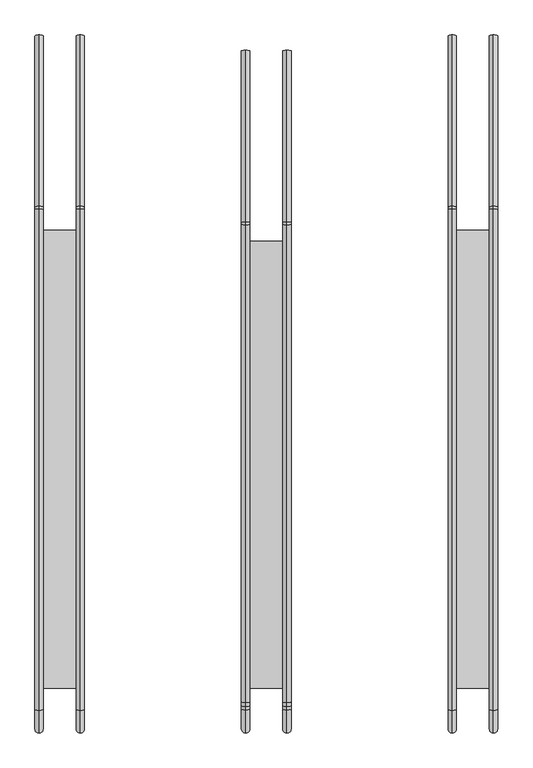
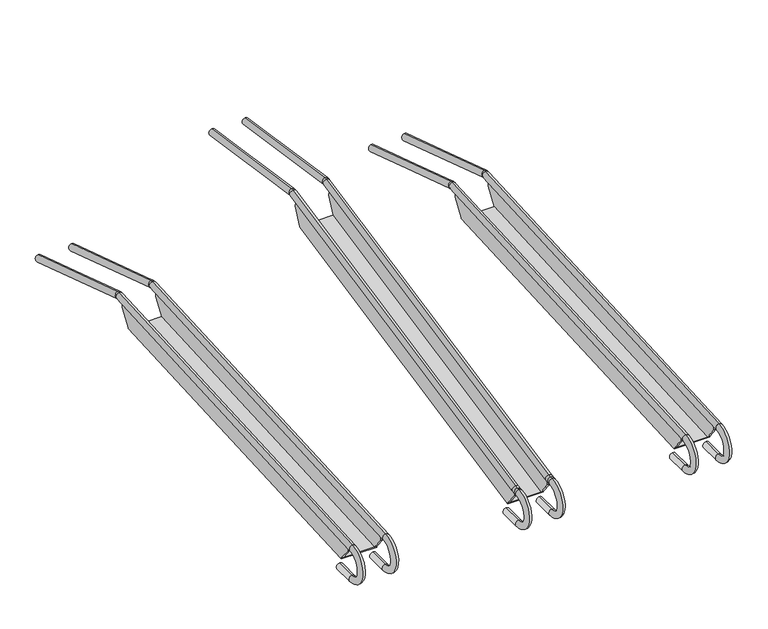
"""IFC4 building model written with IfcOpenShell, lengths in millimetres: proxy geometry."""

from ifc_helpers import new_model, si_unit, point, frame, origin, place, context, project, spatial, circle_curve, ellipse_curve, trimmed, faceted_brep, source, transform, mapped, element, save
from ifc_brep_helpers import plane_surface, cylinder_surface, revolved_surface, advanced_brep


def parking_71886b0e(model_context):
    return source(origin(), model_context, "Body", "SolidModel", [
        faceted_brep([(-437.085582, 221.7803069, 120.6228524), (-437.085582, 220.8092216, 136.8031355), (-437.085582, -715.6649161, 86.2652952), (-437.085582, -715.6649161, 69.7625833), (-437.085582, -689.6030024, 36.404855), (-437.085582, 196.7109185, 84.235745), (-442.2050429, 221.7803069, 120.6228524), (-442.2050429, 196.7109185, 84.235745), (-442.2050429, 196.8321504, 81.9892981), (-442.2050429, -689.3392948, 34.166097), (-442.2050429, -689.4605268, 36.4125439), (-442.2050429, -715.6649161, 69.7625833), (-442.2050429, -715.6649161, 86.2652952), (-442.2050429, 220.8092216, 136.8031355), (-362.2050429, 221.7803069, 120.6228524), (-362.2050429, 196.7109185, 84.235745), (-362.2050429, -689.6030024, 36.404855), (-362.2050429, -715.6649161, 69.7625833), (-362.2050429, -715.6649161, 86.2652952), (-362.2050429, 220.8092216, 136.8031355), (-357.085582, 221.7803069, 120.6228524), (-357.085582, 220.8092216, 136.8031355), (-357.085582, -715.6649161, 86.2652952), (-357.085582, -715.6649161, 69.7625833), (-357.085582, -689.6030024, 36.404855), (-357.085582, -689.3392948, 34.166097), (-357.085582, 196.8321504, 81.9892981), (-357.085582, 196.7109185, 84.235745), (-400.0, 196.8321504, 81.9892981), (-400.0, 196.7109185, 84.235745)], [[[0, 1, 2, 3, 4, 5]], [[6, 7, 8, 9, 10, 11, 12, 13]], [[1, 0, 6, 13]], [[2, 1, 13, 12]], [[0, 5, 7, 6]], [[3, 2, 12, 11]], [[4, 3, 11, 10]], [[14, 15, 16, 17, 18, 19]], [[20, 21, 22, 23, 24, 25, 26, 27]], [[14, 19, 21, 20]], [[19, 18, 22, 21]], [[15, 14, 20, 27]], [[17, 16, 24, 23]], [[18, 17, 23, 22]], [[26, 25, 9, 8, 28]], [[29, 5, 4, 16, 15]], [[9, 25, 24, 16, 4, 10]], [[28, 8, 7, 5, 29]], [[26, 28, 29, 15, 27]]]),
        faceted_brep([(437.085582, 221.7803069, 120.6228524), (437.085582, 196.7109185, 84.235745), (437.085582, -689.6030024, 36.404855), (437.085582, -715.6649161, 69.7625833), (437.085582, -715.6649161, 86.2652952), (437.085582, 220.8092216, 136.8031355), (442.2050429, 221.7803069, 120.6228524), (442.2050429, 220.8092216, 136.8031355), (442.2050429, -715.6649161, 86.2652952), (442.2050429, -715.6649161, 69.7625833), (442.2050429, -689.6030024, 36.404855), (442.2050429, -689.3392948, 34.166097), (442.2050429, 196.8321504, 81.9892981), (442.2050429, 196.7109185, 84.235745), (362.2050429, 221.7803069, 120.6228524), (362.2050429, 220.8092216, 136.8031355), (362.2050429, -715.6649161, 86.2652952), (362.2050429, -715.6649161, 69.7625833), (362.2050429, -689.6030024, 36.404855), (362.2050429, 196.7109185, 84.235745), (357.085582, 221.7803069, 120.6228524), (357.085582, 196.7109185, 84.235745), (357.085582, 196.8321504, 81.9892981), (357.085582, -689.3392948, 34.166097), (357.085582, -689.4605268, 36.4125439), (357.085582, -715.6649161, 69.7625833), (357.085582, -715.6649161, 86.2652952), (357.085582, 220.8092216, 136.8031355), (400.0, 196.8321504, 81.9892981), (400.0, 196.7109185, 84.235745)], [[[0, 1, 2, 3, 4, 5]], [[6, 7, 8, 9, 10, 11, 12, 13]], [[0, 5, 7, 6]], [[5, 4, 8, 7]], [[1, 0, 6, 13]], [[4, 3, 9, 8]], [[3, 2, 10, 9]], [[14, 15, 16, 17, 18, 19]], [[20, 21, 22, 23, 24, 25, 26, 27]], [[15, 14, 20, 27]], [[16, 15, 27, 26]], [[14, 19, 21, 20]], [[18, 17, 25, 24]], [[17, 16, 26, 25]], [[22, 28, 12, 11, 23]], [[1, 29, 19, 18, 2]], [[23, 11, 10, 2, 18, 24]], [[12, 28, 29, 1, 13]], [[28, 22, 21, 19, 29]]]),
        faceted_brep([(-37.4402695, 194.6285646, 254.5534893), (-37.4402695, 190.4667843, 274.1331264), (-37.4402695, -715.6649161, 87.2333263), (-37.4402695, -715.6649161, 69.7625833), (-37.4402695, -689.6341335, 36.4447009), (-37.4402695, -689.4527585, 36.4821115), (-37.4402695, 175.2582347, 214.8384274), (-42.5597305, 194.6285646, 254.5534893), (-42.5597305, 175.2582347, 214.8384274), (-42.5597305, 175.7126971, 212.6350926), (-42.5597305, -688.998296, 34.2787767), (-42.5597305, -689.4527585, 36.4821115), (-42.5597305, -689.6341335, 36.4447009), (-42.5597305, -715.6649161, 69.7625833), (-42.5597305, -715.6649161, 87.2333263), (-42.5597305, 190.4667843, 274.1331264), (37.4402695, 194.6285646, 254.5534893), (37.4402695, 175.2582347, 214.8384274), (37.4402695, -689.4527585, 36.4821115), (37.4402695, -689.6341335, 36.4447009), (37.4402695, -715.6649161, 69.7625833), (37.4402695, -715.6649161, 87.2333263), (37.4402695, 190.4667843, 274.1331264), (42.5597305, 194.6285646, 254.5534893), (42.5597305, 190.4667843, 274.1331264), (42.5597305, -715.6649161, 87.2333263), (42.5597305, -715.6649161, 69.7625833), (42.5597305, -689.6341335, 36.4447009), (42.5597305, -689.4527585, 36.4821115), (42.5597305, -688.998296, 34.2787767), (42.5597305, 175.7126971, 212.6350926), (42.5597305, 175.2582347, 214.8384274), (-0.3546876, 175.7126971, 212.6350926), (-0.3546876, 175.2582347, 214.8384274)], [[[0, 1, 2, 3, 4, 5, 6]], [[7, 8, 9, 10, 11, 12, 13, 14, 15]], [[1, 0, 7, 15]], [[2, 1, 15, 14]], [[3, 2, 14, 13]], [[4, 3, 13, 12]], [[4, 12, 11, 5]], [[0, 6, 8, 7]], [[16, 17, 18, 19, 20, 21, 22]], [[23, 24, 25, 26, 27, 28, 29, 30, 31]], [[16, 22, 24, 23]], [[22, 21, 25, 24]], [[21, 20, 26, 25]], [[20, 19, 27, 26]], [[27, 19, 18, 28]], [[17, 16, 23, 31]], [[30, 29, 10, 9, 32]], [[33, 6, 5, 18, 17]], [[10, 29, 28, 18, 5, 11]], [[32, 9, 8, 6, 33]], [[30, 32, 33, 17, 31]]]),
        advanced_brep(
        [(440.0, 570.2232092, 24.0439537), (440.0, 575.1849932, 39.3147549), (440.0, 244.335793, 146.8141765), (440.0, 239.3740089, 131.5433753), (440.0, 238.1994719, 131.6969984), (440.0, 237.3320857, 147.7302237), (440.0, -732.0365326, 95.2880586), (440.0, -731.1691463, 79.2548333), (440.0, -678.7366907, 16.7439687), (440.0, -678.7366907, 0.6872981), (440.0, -729.4794847, 16.7439687), (440.0, -729.4794847, 0.6872981)],
        [
            (0, 1, circle_curve(frame((440.0, 572.7041012, 31.6793543), z_axis=(0.0, 0.9510565162951528, -0.30901699437495006), x_axis=(0.0, 0.30901699437495006, 0.9510565162951528)), 8.0283353)),
            (1, 0, circle_curve(frame((440.0, 572.7041012, 31.6793543), z_axis=(0.0, 0.9510565162951528, -0.30901699437495006), x_axis=(0.0, 0.30901699437495006, 0.9510565162951528)), 8.0283353)),
            (1, 2),
            (2, 3, circle_curve(frame((440.0, 241.854901, 139.1787759), z_axis=(0.0, 0.9510565162951528, -0.30901699437495006), x_axis=(0.0, 0.30901699437495006, 0.9510565162951528)), 8.0283353)),
            (3, 0),
            (3, 2, circle_curve(frame((440.0, 241.854901, 139.1787759), z_axis=(0.0, 0.9510565162951528, -0.30901699437495006), x_axis=(0.0, 0.30901699437495006, 0.9510565162951528)), 8.0283353)),
            (4, 5, circle_curve(frame((440.0, 237.7657788, 139.7136111), z_axis=(0.0, -0.9985398371404031, -0.0540203076964345), x_axis=(0.0, -0.0540203076964345, 0.9985398371404031)), 8.0283353)),
            (5, 6),
            (6, 7, circle_curve(frame((440.0, -731.6028395, 87.2714459), z_axis=(0.0, 0.9985398371404031, 0.0540203076964345), x_axis=(0.0, -0.0540203076964345, 0.9985398371404031)), 8.0283353)),
            (7, 4),
            (5, 4, circle_curve(frame((440.0, 237.7657788, 139.7136111), z_axis=(0.0, -0.9985398371404031, -0.0540203076964345), x_axis=(0.0, -0.0540203076964345, 0.9985398371404031)), 8.0283353)),
            (7, 6, circle_curve(frame((440.0, -731.6028395, 87.2714459), z_axis=(0.0, 0.9985398371404031, 0.0540203076964345), x_axis=(0.0, -0.0540203076964345, 0.9985398371404031)), 8.0283353)),
            (8, 9, circle_curve(frame((440.0, -678.7366907, 8.7156334), z_axis=(0.0, 1.0, 0.0), x_axis=(0.0, 0.0, -1.0)), 8.0283353)),
            (9, 8, circle_curve(frame((440.0, -678.7366907, 8.7156334), z_axis=(0.0, 1.0, 0.0), x_axis=(0.0, 0.0, -1.0)), 8.0283353)),
            (8, 10),
            (10, 11, circle_curve(frame((440.0, -729.4794847, 8.7156334), z_axis=(0.0, 1.0, 0.0), x_axis=(0.0, 0.0, -1.0)), 8.0283353)),
            (11, 9),
            (11, 10, circle_curve(frame((440.0, -729.4794847, 8.7156334), z_axis=(0.0, 1.0, 0.0), x_axis=(0.0, 0.0, -1.0)), 8.0283353)),
            (6, 11, circle_curve(frame((440.0, -729.4794847, 48.0222367), z_axis=(1.0, 0.0, 0.0), x_axis=(0.0, -0.054020307696434074, 0.9985398371404031)), 47.3349386)),
            (10, 7, circle_curve(frame((440.0, -729.4794847, 48.0222367), z_axis=(-1.0, 0.0, 0.0), x_axis=(0.0, -0.054020307696434074, 0.9985398371404031)), 31.278268)),
            (2, 5, circle_curve(frame((440.0, 238.3742442, 128.4664159), z_axis=(1.0, 0.0, 0.0), x_axis=(0.0, 0.3090169943749422, 0.9510565162951553)), 19.2919772)),
            (4, 3, circle_curve(frame((440.0, 238.3742442, 128.4664159), z_axis=(-1.0, 0.0, 0.0), x_axis=(0.0, 0.3090169943749422, 0.9510565162951553)), 3.2353066)),
        ],
        [
            plane_surface(frame((0.0, 572.7041012, 31.6793543), z_axis=(0.0, 0.9510565162951528, -0.30901699437495006), x_axis=(-1.0, 0.0, 0.0))),
            cylinder_surface(frame((440.0, 572.7041012, 31.6793543), z_axis=(0.0, 0.9510565162951528, -0.30901699437495006), x_axis=(0.0, 0.30901699437495006, 0.9510565162951528)), 8.0283353),
            cylinder_surface(frame((440.0, 237.7657788, 139.7136111), z_axis=(0.0, 0.9985398371404031, 0.0540203076964345), x_axis=(0.0, -0.0540203076964345, 0.9985398371404031)), 8.0283353),
            plane_surface(frame((0.0, -678.7366907, 8.7156334), z_axis=(0.0, 1.0, 0.0), x_axis=(-1.0, 0.0, 0.0))),
            cylinder_surface(frame((440.0, -729.4794847, 8.7156334), z_axis=(0.0, -1.0, 0.0), x_axis=(0.0, 0.0, -1.0)), 8.0283353),
            revolved_surface(trimmed(ellipse_curve(frame((440.0, -731.6028395, 87.2714459), z_axis=(0.0, 0.9985398371404031, 0.054020307696434164), x_axis=(0.0, -0.054020307696434164, 0.9985398371404031)), 8.0283353, 8.0283353), [point((440.0, -732.0365326, 95.2880586))], [point((440.0, -731.1691463, 79.2548333))], True, "CARTESIAN"), (0.0, -729.4794847, 48.0222367), (1.0, 0.0, 0.0)),
            revolved_surface(trimmed(ellipse_curve(frame((440.0, -731.6028395, 87.2714459), z_axis=(0.0, 0.9985398371404031, 0.054020307696434164), x_axis=(0.0, -0.054020307696434164, 0.9985398371404031)), 8.0283353, 8.0283353), [point((440.0, -731.1691463, 79.2548333))], [point((440.0, -732.0365326, 95.2880586))], True, "CARTESIAN"), (0.0, -729.4794847, 48.0222367), (1.0, 0.0, 0.0)),
            revolved_surface(trimmed(ellipse_curve(frame((440.0, 241.854901, 139.1787759), z_axis=(0.0, 0.9510565162951553, -0.30901699437494207), x_axis=(0.0, 0.30901699437494207, 0.9510565162951553)), 8.0283353, 8.0283353), [point((440.0, 244.335793, 146.8141765))], [point((440.0, 239.3740089, 131.5433753))], True, "CARTESIAN"), (0.0, 238.3742442, 128.4664159), (1.0, 0.0, 0.0)),
            revolved_surface(trimmed(ellipse_curve(frame((440.0, 241.854901, 139.1787759), z_axis=(0.0, 0.9510565162951553, -0.30901699437494207), x_axis=(0.0, 0.30901699437494207, 0.9510565162951553)), 8.0283353, 8.0283353), [point((440.0, 239.3740089, 131.5433753))], [point((440.0, 244.335793, 146.8141765))], True, "CARTESIAN"), (0.0, 238.3742442, 128.4664159), (1.0, 0.0, 0.0)),
        ],
        [
            (0, [[1, 2]]),
            (1, [[-2, 3, 4, 5]]),
            (1, [[-1, -5, 6, -3]]),
            (2, [[7, 8, 9, 10]]),
            (2, [[-8, 11, -10, 12]]),
            (3, [[13, 14]]),
            (4, [[-13, 15, 16, 17]]),
            (4, [[-14, -17, 18, -15]]),
            (5, [[-9, 19, -16, 20]]),
            (6, [[-12, -20, -18, -19]]),
            (7, [[-4, 21, -7, 22]]),
            (8, [[-6, -22, -11, -21]]),
        ],
    ),
        advanced_brep(
        [(360.0, 570.2232092, 24.0439537), (360.0, 575.1849932, 39.3147549), (360.0, 244.335793, 146.8141765), (360.0, 239.3740089, 131.5433753), (360.0, 238.1994719, 131.6969984), (360.0, 237.3320857, 147.7302237), (360.0, -732.0365326, 95.2880586), (360.0, -731.1691463, 79.2548333), (360.0, -678.7366907, 16.7439687), (360.0, -678.7366907, 0.6872981), (360.0, -729.4794847, 16.7439687), (360.0, -729.4794847, 0.6872981)],
        [
            (0, 1, circle_curve(frame((360.0, 572.7041012, 31.6793543), z_axis=(0.0, 0.9510565162951528, -0.30901699437495006), x_axis=(0.0, 0.30901699437495006, 0.9510565162951528)), 8.0283353)),
            (1, 0, circle_curve(frame((360.0, 572.7041012, 31.6793543), z_axis=(0.0, 0.9510565162951528, -0.30901699437495006), x_axis=(0.0, 0.30901699437495006, 0.9510565162951528)), 8.0283353)),
            (1, 2),
            (2, 3, circle_curve(frame((360.0, 241.854901, 139.1787759), z_axis=(0.0, 0.9510565162951528, -0.30901699437495006), x_axis=(0.0, 0.30901699437495006, 0.9510565162951528)), 8.0283353)),
            (3, 0),
            (3, 2, circle_curve(frame((360.0, 241.854901, 139.1787759), z_axis=(0.0, 0.9510565162951528, -0.30901699437495006), x_axis=(0.0, 0.30901699437495006, 0.9510565162951528)), 8.0283353)),
            (4, 5, circle_curve(frame((360.0, 237.7657788, 139.7136111), z_axis=(0.0, -0.9985398371404031, -0.0540203076964345), x_axis=(0.0, -0.0540203076964345, 0.9985398371404031)), 8.0283353)),
            (5, 6),
            (6, 7, circle_curve(frame((360.0, -731.6028395, 87.2714459), z_axis=(0.0, 0.9985398371404031, 0.0540203076964345), x_axis=(0.0, -0.0540203076964345, 0.9985398371404031)), 8.0283353)),
            (7, 4),
            (5, 4, circle_curve(frame((360.0, 237.7657788, 139.7136111), z_axis=(0.0, -0.9985398371404031, -0.0540203076964345), x_axis=(0.0, -0.0540203076964345, 0.9985398371404031)), 8.0283353)),
            (7, 6, circle_curve(frame((360.0, -731.6028395, 87.2714459), z_axis=(0.0, 0.9985398371404031, 0.0540203076964345), x_axis=(0.0, -0.0540203076964345, 0.9985398371404031)), 8.0283353)),
            (8, 9, circle_curve(frame((360.0, -678.7366907, 8.7156334), z_axis=(0.0, 1.0, 0.0), x_axis=(0.0, 0.0, -1.0)), 8.0283353)),
            (9, 8, circle_curve(frame((360.0, -678.7366907, 8.7156334), z_axis=(0.0, 1.0, 0.0), x_axis=(0.0, 0.0, -1.0)), 8.0283353)),
            (8, 10),
            (10, 11, circle_curve(frame((360.0, -729.4794847, 8.7156334), z_axis=(0.0, 1.0, 0.0), x_axis=(0.0, 0.0, -1.0)), 8.0283353)),
            (11, 9),
            (11, 10, circle_curve(frame((360.0, -729.4794847, 8.7156334), z_axis=(0.0, 1.0, 0.0), x_axis=(0.0, 0.0, -1.0)), 8.0283353)),
            (6, 11, circle_curve(frame((360.0, -729.4794847, 48.0222367), z_axis=(1.0, 0.0, 0.0), x_axis=(0.0, -0.054020307696434074, 0.9985398371404031)), 47.3349386)),
            (10, 7, circle_curve(frame((360.0, -729.4794847, 48.0222367), z_axis=(-1.0, 0.0, 0.0), x_axis=(0.0, -0.054020307696434074, 0.9985398371404031)), 31.278268)),
            (2, 5, circle_curve(frame((360.0, 238.3742442, 128.4664159), z_axis=(1.0, 0.0, 0.0), x_axis=(0.0, 0.3090169943749422, 0.9510565162951553)), 19.2919772)),
            (4, 3, circle_curve(frame((360.0, 238.3742442, 128.4664159), z_axis=(-1.0, 0.0, 0.0), x_axis=(0.0, 0.3090169943749422, 0.9510565162951553)), 3.2353066)),
        ],
        [
            plane_surface(frame((-80.0, 572.7041012, 31.6793543), z_axis=(0.0, 0.9510565162951528, -0.30901699437495006), x_axis=(-1.0, 0.0, 0.0))),
            cylinder_surface(frame((360.0, 572.7041012, 31.6793543), z_axis=(0.0, 0.9510565162951528, -0.30901699437495006), x_axis=(0.0, 0.30901699437495006, 0.9510565162951528)), 8.0283353),
            cylinder_surface(frame((360.0, 237.7657788, 139.7136111), z_axis=(0.0, 0.9985398371404031, 0.0540203076964345), x_axis=(0.0, -0.0540203076964345, 0.9985398371404031)), 8.0283353),
            plane_surface(frame((-80.0, -678.7366907, 8.7156334), z_axis=(0.0, 1.0, 0.0), x_axis=(-1.0, 0.0, 0.0))),
            cylinder_surface(frame((360.0, -729.4794847, 8.7156334), z_axis=(0.0, -1.0, 0.0), x_axis=(0.0, 0.0, -1.0)), 8.0283353),
            revolved_surface(trimmed(ellipse_curve(frame((360.0, -731.6028395, 87.2714459), z_axis=(0.0, 0.9985398371404031, 0.054020307696434164), x_axis=(0.0, -0.054020307696434164, 0.9985398371404031)), 8.0283353, 8.0283353), [point((360.0, -732.0365326, 95.2880586))], [point((360.0, -731.1691463, 79.2548333))], True, "CARTESIAN"), (-80.0, -729.4794847, 48.0222367), (1.0, 0.0, 0.0)),
            revolved_surface(trimmed(ellipse_curve(frame((360.0, -731.6028395, 87.2714459), z_axis=(0.0, 0.9985398371404031, 0.054020307696434164), x_axis=(0.0, -0.054020307696434164, 0.9985398371404031)), 8.0283353, 8.0283353), [point((360.0, -731.1691463, 79.2548333))], [point((360.0, -732.0365326, 95.2880586))], True, "CARTESIAN"), (-80.0, -729.4794847, 48.0222367), (1.0, 0.0, 0.0)),
            revolved_surface(trimmed(ellipse_curve(frame((360.0, 241.854901, 139.1787759), z_axis=(0.0, 0.9510565162951553, -0.30901699437494207), x_axis=(0.0, 0.30901699437494207, 0.9510565162951553)), 8.0283353, 8.0283353), [point((360.0, 244.335793, 146.8141765))], [point((360.0, 239.3740089, 131.5433753))], True, "CARTESIAN"), (-80.0, 238.3742442, 128.4664159), (1.0, 0.0, 0.0)),
            revolved_surface(trimmed(ellipse_curve(frame((360.0, 241.854901, 139.1787759), z_axis=(0.0, 0.9510565162951553, -0.30901699437494207), x_axis=(0.0, 0.30901699437494207, 0.9510565162951553)), 8.0283353, 8.0283353), [point((360.0, 239.3740089, 131.5433753))], [point((360.0, 244.335793, 146.8141765))], True, "CARTESIAN"), (-80.0, 238.3742442, 128.4664159), (1.0, 0.0, 0.0)),
        ],
        [
            (0, [[1, 2]]),
            (1, [[-2, 3, 4, 5]]),
            (1, [[-1, -5, 6, -3]]),
            (2, [[7, 8, 9, 10]]),
            (2, [[-8, 11, -10, 12]]),
            (3, [[13, 14]]),
            (4, [[-13, 15, 16, 17]]),
            (4, [[-14, -17, 18, -15]]),
            (5, [[-9, 19, -16, 20]]),
            (6, [[-12, -20, -18, -19]]),
            (7, [[-4, 21, -7, 22]]),
            (8, [[-6, -22, -11, -21]]),
        ],
    ),
        advanced_brep(
        [(40.0000067, 545.1160698, 237.5190174), (40.0000067, 542.7546404, 221.6369419), (40.0000067, 213.7587528, 286.7869426), (40.0000067, 211.3973234, 270.9048671), (40.0000067, 209.9234726, 270.8642514), (40.0000067, 206.6909494, 286.5921713), (40.0000067, -717.4596061, 96.6536338), (40.0000067, -714.2270829, 80.9257139), (40.0000067, -678.7366907, 0.6872981), (40.0000067, -678.7366907, 16.7439687), (40.0000067, -729.4794847, 16.7439687), (40.0000067, -729.4794847, 0.6872981), (40.0000067, -731.1691463, 79.2548333), (40.0000067, -732.0365326, 95.2880586), (40.0000067, -724.2865985, 79.6271743), (40.0000067, -725.1539848, 95.6603996)],
        [
            (0, 1, circle_curve(frame((40.0000067, 543.9353551, 229.5779796), z_axis=(0.0, 0.9891263194603436, -0.14706843356354454), x_axis=(0.0, -0.14706843356354452, -0.9891263194603434)), 8.0283353)),
            (1, 0, circle_curve(frame((40.0000067, 543.9353551, 229.5779796), z_axis=(0.0, 0.9891263194603436, -0.14706843356354454), x_axis=(0.0, -0.14706843356354452, -0.9891263194603434)), 8.0283353)),
            (0, 2),
            (2, 3, circle_curve(frame((40.0000067, 212.5780381, 278.8459049), z_axis=(0.0, 0.9891263194603436, -0.14706843356354454), x_axis=(0.0, -0.14706843356354452, -0.9891263194603434)), 8.0283353)),
            (3, 1),
            (3, 2, circle_curve(frame((40.0000067, 212.5780381, 278.8459049), z_axis=(0.0, 0.9891263194603436, -0.14706843356354454), x_axis=(0.0, -0.14706843356354452, -0.9891263194603434)), 8.0283353)),
            (4, 5, circle_curve(frame((40.0000067, 208.307211, 278.7282114), z_axis=(0.0, -0.9795256001404008, -0.20131964302965505), x_axis=(0.0, 0.20131964302965505, -0.9795256001404008)), 8.0283353)),
            (5, 6),
            (6, 7, circle_curve(frame((40.0000067, -715.8433445, 88.7896739), z_axis=(0.0, 0.9795256001404008, 0.20131964302965505), x_axis=(0.0, 0.20131964302965505, -0.9795256001404008)), 8.0283353)),
            (7, 4),
            (5, 4, circle_curve(frame((40.0000067, 208.307211, 278.7282114), z_axis=(0.0, -0.9795256001404008, -0.20131964302965505), x_axis=(0.0, 0.20131964302965505, -0.9795256001404008)), 8.0283353)),
            (7, 6, circle_curve(frame((40.0000067, -715.8433445, 88.7896739), z_axis=(0.0, 0.9795256001404008, 0.20131964302965505), x_axis=(0.0, 0.20131964302965505, -0.9795256001404008)), 8.0283353)),
            (8, 9, circle_curve(frame((40.0000067, -678.7366907, 8.7156334), z_axis=(0.0, 1.0, 0.0), x_axis=(0.0, 0.0, 1.0)), 8.0283353)),
            (9, 8, circle_curve(frame((40.0000067, -678.7366907, 8.7156334), z_axis=(0.0, 1.0, 0.0), x_axis=(0.0, 0.0, 1.0)), 8.0283353)),
            (10, 11, circle_curve(frame((40.0000067, -729.4794847, 8.7156334), z_axis=(0.0, 1.0, 0.0), x_axis=(0.0, 0.0, 1.0)), 8.0283353)),
            (11, 8),
            (9, 10),
            (11, 10, circle_curve(frame((40.0000067, -729.4794847, 8.7156334), z_axis=(0.0, 1.0, 0.0), x_axis=(0.0, 0.0, 1.0)), 8.0283353)),
            (10, 12, circle_curve(frame((40.0000067, -729.4794847, 48.0222367), z_axis=(-1.0, 0.0, 0.0), x_axis=(0.0, -0.0540203076964374, 0.9985398371404028)), 31.278268)),
            (12, 13, circle_curve(frame((40.0000067, -731.6028395, 87.2714459), z_axis=(0.0, -0.9985398371404028, -0.05402030769643744), x_axis=(0.0, 0.05402030769643744, -0.9985398371404028)), 8.0283353)),
            (13, 11, circle_curve(frame((40.0000067, -729.4794847, 48.0222367), z_axis=(1.0, 0.0, 0.0), x_axis=(0.0, -0.0540203076964374, 0.9985398371404028)), 47.3349386)),
            (13, 12, circle_curve(frame((40.0000067, -731.6028395, 87.2714459), z_axis=(0.0, -0.9985398371404028, -0.05402030769643744), x_axis=(0.0, 0.05402030769643744, -0.9985398371404028)), 8.0283353)),
            (4, 3, circle_curve(frame((40.0000067, 210.7751525, 266.7203823), z_axis=(-1.0, 0.0, 0.0), x_axis=(0.0, 0.14706843356353932, 0.9891263194603441)), 4.2304857)),
            (2, 5, circle_curve(frame((40.0000067, 210.7751525, 266.7203823), z_axis=(1.0, 0.0, 0.0), x_axis=(0.0, 0.14706843356353932, 0.9891263194603441)), 20.2871563)),
            (14, 7, circle_curve(frame((40.0000067, -727.9758082, 147.82047), z_axis=(1.0, 0.0, 0.0), x_axis=(0.0, 0.2013196430296586, -0.9795256001404)), 68.2930146)),
            (6, 15, circle_curve(frame((40.0000067, -727.9758082, 147.82047), z_axis=(-1.0, 0.0, 0.0), x_axis=(0.0, 0.2013196430296586, -0.9795256001404)), 52.236344)),
            (15, 14, circle_curve(frame((40.0000067, -724.7202917, 87.643787), z_axis=(0.0, 0.9985398371404027, 0.05402030769643995), x_axis=(0.0, 0.05402030769643995, -0.9985398371404027)), 8.0283353)),
            (14, 15, circle_curve(frame((40.0000067, -724.7202917, 87.643787), z_axis=(0.0, 0.9985398371404026, 0.054020307696442255), x_axis=(0.0, 0.054020307696442255, -0.9985398371404026)), 8.0283353)),
            (15, 13),
            (12, 14),
        ],
        [
            plane_surface(frame((480.0000067, 543.9353551, 229.5779796), z_axis=(0.0, 0.9891263194603435, -0.1470684335635446), x_axis=(1.0, 0.0, 0.0))),
            cylinder_surface(frame((40.0000067, 543.9353551, 229.5779796), z_axis=(0.0, 0.9891263194603434, -0.14706843356354452), x_axis=(0.0, -0.14706843356354452, -0.9891263194603434)), 8.0283353),
            cylinder_surface(frame((40.0000067, 208.307211, 278.7282114), z_axis=(0.0, 0.9795256001404008, 0.20131964302965505), x_axis=(0.0, 0.20131964302965505, -0.9795256001404008)), 8.0283353),
            plane_surface(frame((480.0000067, -678.7366907, 8.7156334), z_axis=(0.0, 1.0, 0.0), x_axis=(1.0, 0.0, 0.0))),
            cylinder_surface(frame((40.0000067, -729.4794847, 8.7156334), z_axis=(0.0, -1.0, 0.0), x_axis=(0.0, 0.0, 1.0)), 8.0283353),
            revolved_surface(trimmed(ellipse_curve(frame((40.0000067, -731.6028395, 87.2714459), z_axis=(0.0, 0.9985398371404028, 0.05402030769643744), x_axis=(0.0, 0.05402030769643744, -0.9985398371404028)), 8.0283353, 8.0283353), [point((40.0000067, -732.0365326, 95.2880586))], [point((40.0000067, -731.1691463, 79.2548333))], True, "CARTESIAN"), (480.0000067, -729.4794847, 48.0222367), (1.0, 0.0, 0.0)),
            revolved_surface(trimmed(ellipse_curve(frame((40.0000067, -731.6028395, 87.2714459), z_axis=(0.0, 0.9985398371404028, 0.05402030769643744), x_axis=(0.0, 0.05402030769643744, -0.9985398371404028)), 8.0283353, 8.0283353), [point((40.0000067, -731.1691463, 79.2548333))], [point((40.0000067, -732.0365326, 95.2880586))], True, "CARTESIAN"), (480.0000067, -729.4794847, 48.0222367), (1.0, 0.0, 0.0)),
            revolved_surface(trimmed(ellipse_curve(frame((40.0000067, 212.5780381, 278.8459049), z_axis=(0.0, 0.9891263194603441, -0.14706843356353924), x_axis=(0.0, -0.14706843356353924, -0.9891263194603441)), 8.0283353, 8.0283353), [point((40.0000067, 213.7587528, 286.7869426))], [point((40.0000067, 211.3973234, 270.9048671))], True, "CARTESIAN"), (480.0000067, 210.7751525, 266.7203823), (1.0, 0.0, 0.0)),
            revolved_surface(trimmed(ellipse_curve(frame((40.0000067, 212.5780381, 278.8459049), z_axis=(0.0, 0.9891263194603441, -0.14706843356353924), x_axis=(0.0, -0.14706843356353924, -0.9891263194603441)), 8.0283353, 8.0283353), [point((40.0000067, 211.3973234, 270.9048671))], [point((40.0000067, 213.7587528, 286.7869426))], True, "CARTESIAN"), (480.0000067, 210.7751525, 266.7203823), (1.0, 0.0, 0.0)),
            revolved_surface(trimmed(ellipse_curve(frame((40.0000067, -715.8433445, 88.7896739), z_axis=(0.0, 0.9795256001404, 0.20131964302965866), x_axis=(0.0, 0.20131964302965866, -0.9795256001404)), 8.0283353, 8.0283353), [point((40.0000067, -717.4596061, 96.6536338))], [point((40.0000067, -714.2270829, 80.9257139))], True, "CARTESIAN"), (480.0000067, -727.9758082, 147.82047), (-1.0, 0.0, 0.0)),
            revolved_surface(trimmed(ellipse_curve(frame((40.0000067, -715.8433445, 88.7896739), z_axis=(0.0, 0.9795256001404, 0.20131964302965866), x_axis=(0.0, 0.20131964302965866, -0.9795256001404)), 8.0283353, 8.0283353), [point((40.0000067, -714.2270829, 80.9257139))], [point((40.0000067, -717.4596061, 96.6536338))], True, "CARTESIAN"), (480.0000067, -727.9758082, 147.82047), (-1.0, 0.0, 0.0)),
            cylinder_surface(frame((40.0000067, -724.7202917, 87.643787), z_axis=(0.0, 0.9985398371404028, 0.05402030769644006), x_axis=(0.0, 0.05402030769644006, -0.9985398371404028)), 8.0283353),
        ],
        [
            (0, [[1, 2]]),
            (1, [[-1, 3, 4, 5]]),
            (1, [[-2, -5, 6, -3]]),
            (2, [[7, 8, 9, 10]]),
            (2, [[11, -10, 12, -8]]),
            (3, [[13, 14]]),
            (4, [[15, 16, -14, 17]]),
            (4, [[18, -17, -13, -16]]),
            (5, [[19, 20, 21, -15]]),
            (6, [[-21, 22, -19, -18]]),
            (7, [[23, -4, 24, -7]]),
            (8, [[-24, -6, -23, -11]]),
            (9, [[25, -9, 26, 27]]),
            (10, [[-26, -12, -25, 28]]),
            (11, [[-27, 29, -20, 30]]),
            (11, [[-28, -30, -22, -29]]),
        ],
    ),
        advanced_brep(
        [(-39.9999933, 545.1160698, 237.5190174), (-39.9999933, 542.7546404, 221.6369419), (-39.9999933, 213.7587528, 286.7869426), (-39.9999933, 211.3973234, 270.9048671), (-39.9999933, 209.9234726, 270.8642514), (-39.9999933, 206.6909494, 286.5921713), (-39.9999933, -717.4596061, 96.6536338), (-39.9999933, -714.2270829, 80.9257139), (-39.9999933, -678.7366907, 0.6872981), (-39.9999933, -678.7366907, 16.7439687), (-39.9999933, -729.4794847, 16.7439687), (-39.9999933, -729.4794847, 0.6872981), (-39.9999933, -731.1691463, 79.2548333), (-39.9999933, -732.0365326, 95.2880586), (-39.9999933, -724.2865985, 79.6271743), (-39.9999933, -725.1539848, 95.6603996)],
        [
            (0, 1, circle_curve(frame((-39.9999933, 543.9353551, 229.5779796), z_axis=(0.0, 0.9891263194603436, -0.14706843356354454), x_axis=(0.0, -0.14706843356354452, -0.9891263194603434)), 8.0283353)),
            (1, 0, circle_curve(frame((-39.9999933, 543.9353551, 229.5779796), z_axis=(0.0, 0.9891263194603436, -0.14706843356354454), x_axis=(0.0, -0.14706843356354452, -0.9891263194603434)), 8.0283353)),
            (0, 2),
            (2, 3, circle_curve(frame((-39.9999933, 212.5780381, 278.8459049), z_axis=(0.0, 0.9891263194603436, -0.14706843356354454), x_axis=(0.0, -0.14706843356354452, -0.9891263194603434)), 8.0283353)),
            (3, 1),
            (3, 2, circle_curve(frame((-39.9999933, 212.5780381, 278.8459049), z_axis=(0.0, 0.9891263194603436, -0.14706843356354454), x_axis=(0.0, -0.14706843356354452, -0.9891263194603434)), 8.0283353)),
            (4, 5, circle_curve(frame((-39.9999933, 208.307211, 278.7282114), z_axis=(0.0, -0.9795256001404008, -0.20131964302965505), x_axis=(0.0, 0.20131964302965505, -0.9795256001404008)), 8.0283353)),
            (5, 6),
            (6, 7, circle_curve(frame((-39.9999933, -715.8433445, 88.7896739), z_axis=(0.0, 0.9795256001404008, 0.20131964302965505), x_axis=(0.0, 0.20131964302965505, -0.9795256001404008)), 8.0283353)),
            (7, 4),
            (5, 4, circle_curve(frame((-39.9999933, 208.307211, 278.7282114), z_axis=(0.0, -0.9795256001404008, -0.20131964302965505), x_axis=(0.0, 0.20131964302965505, -0.9795256001404008)), 8.0283353)),
            (7, 6, circle_curve(frame((-39.9999933, -715.8433445, 88.7896739), z_axis=(0.0, 0.9795256001404008, 0.20131964302965505), x_axis=(0.0, 0.20131964302965505, -0.9795256001404008)), 8.0283353)),
            (8, 9, circle_curve(frame((-39.9999933, -678.7366907, 8.7156334), z_axis=(0.0, 1.0, 0.0), x_axis=(0.0, 0.0, 1.0)), 8.0283353)),
            (9, 8, circle_curve(frame((-39.9999933, -678.7366907, 8.7156334), z_axis=(0.0, 1.0, 0.0), x_axis=(0.0, 0.0, 1.0)), 8.0283353)),
            (10, 11, circle_curve(frame((-39.9999933, -729.4794847, 8.7156334), z_axis=(0.0, 1.0, 0.0), x_axis=(0.0, 0.0, 1.0)), 8.0283353)),
            (11, 8),
            (9, 10),
            (11, 10, circle_curve(frame((-39.9999933, -729.4794847, 8.7156334), z_axis=(0.0, 1.0, 0.0), x_axis=(0.0, 0.0, 1.0)), 8.0283353)),
            (10, 12, circle_curve(frame((-39.9999933, -729.4794847, 48.0222367), z_axis=(-1.0, 0.0, 0.0), x_axis=(0.0, -0.05402030769644095, 0.9985398371404026)), 31.278268)),
            (12, 13, circle_curve(frame((-39.9999933, -731.6028395, 87.2714459), z_axis=(0.0, -0.9985398371404026, -0.05402030769644099), x_axis=(0.0, 0.05402030769644099, -0.9985398371404026)), 8.0283353)),
            (13, 11, circle_curve(frame((-39.9999933, -729.4794847, 48.0222367), z_axis=(1.0, 0.0, 0.0), x_axis=(0.0, -0.05402030769644095, 0.9985398371404026)), 47.3349386)),
            (13, 12, circle_curve(frame((-39.9999933, -731.6028395, 87.2714459), z_axis=(0.0, -0.9985398371404026, -0.05402030769644099), x_axis=(0.0, 0.05402030769644099, -0.9985398371404026)), 8.0283353)),
            (4, 3, circle_curve(frame((-39.9999933, 210.7751525, 266.7203823), z_axis=(-1.0, 0.0, 0.0), x_axis=(0.0, 0.14706843356353932, 0.9891263194603441)), 4.2304857)),
            (2, 5, circle_curve(frame((-39.9999933, 210.7751525, 266.7203823), z_axis=(1.0, 0.0, 0.0), x_axis=(0.0, 0.14706843356353932, 0.9891263194603441)), 20.2871563)),
            (14, 7, circle_curve(frame((-39.9999933, -727.9758082, 147.82047), z_axis=(1.0, 0.0, 0.0), x_axis=(0.0, 0.2013196430296586, -0.9795256001404)), 68.2930146)),
            (6, 15, circle_curve(frame((-39.9999933, -727.9758082, 147.82047), z_axis=(-1.0, 0.0, 0.0), x_axis=(0.0, 0.2013196430296586, -0.9795256001404)), 52.236344)),
            (15, 14, circle_curve(frame((-39.9999933, -724.7202917, 87.643787), z_axis=(0.0, 0.9985398371404027, 0.054020307696440395), x_axis=(0.0, 0.054020307696440395, -0.9985398371404027)), 8.0283353)),
            (14, 15, circle_curve(frame((-39.9999933, -724.7202917, 87.643787), z_axis=(0.0, 0.9985398371404026, 0.054020307696442615), x_axis=(0.0, 0.054020307696442615, -0.9985398371404026)), 8.0283353)),
            (15, 13),
            (12, 14),
        ],
        [
            plane_surface(frame((0.0, 543.9353551, 229.5779796), z_axis=(0.0, 0.9891263194603435, -0.1470684335635446), x_axis=(1.0, 0.0, 0.0))),
            cylinder_surface(frame((-39.9999933, 543.9353551, 229.5779796), z_axis=(0.0, 0.9891263194603434, -0.14706843356354452), x_axis=(0.0, -0.14706843356354452, -0.9891263194603434)), 8.0283353),
            cylinder_surface(frame((-39.9999933, 208.307211, 278.7282114), z_axis=(0.0, 0.9795256001404008, 0.20131964302965505), x_axis=(0.0, 0.20131964302965505, -0.9795256001404008)), 8.0283353),
            plane_surface(frame((0.0, -678.7366907, 8.7156334), z_axis=(0.0, 1.0, 0.0), x_axis=(1.0, 0.0, 0.0))),
            cylinder_surface(frame((-39.9999933, -729.4794847, 8.7156334), z_axis=(0.0, -1.0, 0.0), x_axis=(0.0, 0.0, 1.0)), 8.0283353),
            revolved_surface(trimmed(ellipse_curve(frame((-39.9999933, -731.6028395, 87.2714459), z_axis=(0.0, 0.9985398371404026, 0.05402030769644099), x_axis=(0.0, 0.05402030769644099, -0.9985398371404026)), 8.0283353, 8.0283353), [point((-39.9999933, -732.0365326, 95.2880586))], [point((-39.9999933, -731.1691463, 79.2548333))], True, "CARTESIAN"), (0.0, -729.4794847, 48.0222367), (1.0, 0.0, 0.0)),
            revolved_surface(trimmed(ellipse_curve(frame((-39.9999933, -731.6028395, 87.2714459), z_axis=(0.0, 0.9985398371404026, 0.05402030769644099), x_axis=(0.0, 0.05402030769644099, -0.9985398371404026)), 8.0283353, 8.0283353), [point((-39.9999933, -731.1691463, 79.2548333))], [point((-39.9999933, -732.0365326, 95.2880586))], True, "CARTESIAN"), (0.0, -729.4794847, 48.0222367), (1.0, 0.0, 0.0)),
            revolved_surface(trimmed(ellipse_curve(frame((-39.9999933, 212.5780381, 278.8459049), z_axis=(0.0, 0.9891263194603441, -0.14706843356353924), x_axis=(0.0, -0.14706843356353924, -0.9891263194603441)), 8.0283353, 8.0283353), [point((-39.9999933, 213.7587528, 286.7869426))], [point((-39.9999933, 211.3973234, 270.9048671))], True, "CARTESIAN"), (0.0, 210.7751525, 266.7203823), (1.0, 0.0, 0.0)),
            revolved_surface(trimmed(ellipse_curve(frame((-39.9999933, 212.5780381, 278.8459049), z_axis=(0.0, 0.9891263194603441, -0.14706843356353924), x_axis=(0.0, -0.14706843356353924, -0.9891263194603441)), 8.0283353, 8.0283353), [point((-39.9999933, 211.3973234, 270.9048671))], [point((-39.9999933, 213.7587528, 286.7869426))], True, "CARTESIAN"), (0.0, 210.7751525, 266.7203823), (1.0, 0.0, 0.0)),
            revolved_surface(trimmed(ellipse_curve(frame((-39.9999933, -715.8433445, 88.7896739), z_axis=(0.0, 0.9795256001404, 0.20131964302965866), x_axis=(0.0, 0.20131964302965866, -0.9795256001404)), 8.0283353, 8.0283353), [point((-39.9999933, -717.4596061, 96.6536338))], [point((-39.9999933, -714.2270829, 80.9257139))], True, "CARTESIAN"), (0.0, -727.9758082, 147.82047), (-1.0, 0.0, 0.0)),
            revolved_surface(trimmed(ellipse_curve(frame((-39.9999933, -715.8433445, 88.7896739), z_axis=(0.0, 0.9795256001404, 0.20131964302965866), x_axis=(0.0, 0.20131964302965866, -0.9795256001404)), 8.0283353, 8.0283353), [point((-39.9999933, -714.2270829, 80.9257139))], [point((-39.9999933, -717.4596061, 96.6536338))], True, "CARTESIAN"), (0.0, -727.9758082, 147.82047), (-1.0, 0.0, 0.0)),
            cylinder_surface(frame((-39.9999933, -724.7202917, 87.643787), z_axis=(0.0, 0.9985398371404028, 0.05402030769644006), x_axis=(0.0, 0.05402030769644006, -0.9985398371404028)), 8.0283353),
        ],
        [
            (0, [[1, 2]]),
            (1, [[-1, 3, 4, 5]]),
            (1, [[-2, -5, 6, -3]]),
            (2, [[7, 8, 9, 10]]),
            (2, [[11, -10, 12, -8]]),
            (3, [[13, 14]]),
            (4, [[15, 16, -14, 17]]),
            (4, [[18, -17, -13, -16]]),
            (5, [[19, 20, 21, -15]]),
            (6, [[-21, 22, -19, -18]]),
            (7, [[23, -4, 24, -7]]),
            (8, [[-24, -6, -23, -11]]),
            (9, [[25, -9, 26, 27]]),
            (10, [[-26, -12, -25, 28]]),
            (11, [[-27, 29, -20, 30]]),
            (11, [[-28, -30, -22, -29]]),
        ],
    ),
        advanced_brep(
        [(-360.0, 575.1849932, 39.3147549), (-360.0, 570.2232092, 24.0439537), (-360.0, 244.335793, 146.8141765), (-360.0, 239.3740089, 131.5433753), (-360.0, 238.1994719, 131.6969984), (-360.0, 237.3320857, 147.7302237), (-360.0, -732.0365326, 95.2880586), (-360.0, -731.1691463, 79.2548333), (-360.0, -678.7366907, 0.6872981), (-360.0, -678.7366907, 16.7439687), (-360.0, -729.4794847, 16.7439687), (-360.0, -729.4794847, 0.6872981)],
        [
            (0, 1, circle_curve(frame((-360.0, 572.7041012, 31.6793543), z_axis=(0.0, 0.9510565162951528, -0.3090169943749501), x_axis=(0.0, -0.3090169943749501, -0.9510565162951528)), 8.0283353)),
            (1, 0, circle_curve(frame((-360.0, 572.7041012, 31.6793543), z_axis=(0.0, 0.9510565162951528, -0.3090169943749501), x_axis=(0.0, -0.3090169943749501, -0.9510565162951528)), 8.0283353)),
            (0, 2),
            (2, 3, circle_curve(frame((-360.0, 241.854901, 139.1787759), z_axis=(0.0, 0.9510565162951528, -0.3090169943749501), x_axis=(0.0, -0.3090169943749501, -0.9510565162951528)), 8.0283353)),
            (3, 1),
            (3, 2, circle_curve(frame((-360.0, 241.854901, 139.1787759), z_axis=(0.0, 0.9510565162951528, -0.3090169943749501), x_axis=(0.0, -0.3090169943749501, -0.9510565162951528)), 8.0283353)),
            (4, 5, circle_curve(frame((-360.0, 237.7657788, 139.7136111), z_axis=(0.0, -0.9985398371404031, -0.054020307696434455), x_axis=(0.0, 0.054020307696434455, -0.9985398371404031)), 8.0283353)),
            (5, 6),
            (6, 7, circle_curve(frame((-360.0, -731.6028395, 87.2714459), z_axis=(0.0, 0.9985398371404031, 0.054020307696434455), x_axis=(0.0, 0.054020307696434455, -0.9985398371404031)), 8.0283353)),
            (7, 4),
            (5, 4, circle_curve(frame((-360.0, 237.7657788, 139.7136111), z_axis=(0.0, -0.9985398371404031, -0.054020307696434455), x_axis=(0.0, 0.054020307696434455, -0.9985398371404031)), 8.0283353)),
            (7, 6, circle_curve(frame((-360.0, -731.6028395, 87.2714459), z_axis=(0.0, 0.9985398371404031, 0.054020307696434455), x_axis=(0.0, 0.054020307696434455, -0.9985398371404031)), 8.0283353)),
            (8, 9, circle_curve(frame((-360.0, -678.7366907, 8.7156334), z_axis=(0.0, 1.0, 0.0), x_axis=(0.0, 0.0, 1.0)), 8.0283353)),
            (9, 8, circle_curve(frame((-360.0, -678.7366907, 8.7156334), z_axis=(0.0, 1.0, 0.0), x_axis=(0.0, 0.0, 1.0)), 8.0283353)),
            (10, 11, circle_curve(frame((-360.0, -729.4794847, 8.7156334), z_axis=(0.0, 1.0, 0.0), x_axis=(0.0, 0.0, 1.0)), 8.0283353)),
            (11, 8),
            (9, 10),
            (11, 10, circle_curve(frame((-360.0, -729.4794847, 8.7156334), z_axis=(0.0, 1.0, 0.0), x_axis=(0.0, 0.0, 1.0)), 8.0283353)),
            (10, 7, circle_curve(frame((-360.0, -729.4794847, 48.0222367), z_axis=(-1.0, 0.0, 0.0), x_axis=(0.0, -0.054020307696434074, 0.9985398371404031)), 31.278268)),
            (6, 11, circle_curve(frame((-360.0, -729.4794847, 48.0222367), z_axis=(1.0, 0.0, 0.0), x_axis=(0.0, -0.054020307696434074, 0.9985398371404031)), 47.3349386)),
            (4, 3, circle_curve(frame((-360.0, 238.3742442, 128.4664159), z_axis=(-1.0, 0.0, 0.0), x_axis=(0.0, 0.3090169943749422, 0.9510565162951553)), 3.2353066)),
            (2, 5, circle_curve(frame((-360.0, 238.3742442, 128.4664159), z_axis=(1.0, 0.0, 0.0), x_axis=(0.0, 0.3090169943749422, 0.9510565162951553)), 19.2919772)),
        ],
        [
            plane_surface(frame((80.0, 572.7041012, 31.6793543), z_axis=(0.0, 0.9510565162951528, -0.30901699437495006), x_axis=(1.0, 0.0, 0.0))),
            cylinder_surface(frame((-360.0, 572.7041012, 31.6793543), z_axis=(0.0, 0.9510565162951528, -0.3090169943749501), x_axis=(0.0, -0.3090169943749501, -0.9510565162951528)), 8.0283353),
            cylinder_surface(frame((-360.0, 237.7657788, 139.7136111), z_axis=(0.0, 0.9985398371404031, 0.054020307696434455), x_axis=(0.0, 0.054020307696434455, -0.9985398371404031)), 8.0283353),
            plane_surface(frame((80.0, -678.7366907, 8.7156334), z_axis=(0.0, 1.0, 0.0), x_axis=(1.0, 0.0, 0.0))),
            cylinder_surface(frame((-360.0, -729.4794847, 8.7156334), z_axis=(0.0, -1.0, 0.0), x_axis=(0.0, 0.0, 1.0)), 8.0283353),
            revolved_surface(trimmed(ellipse_curve(frame((-360.0, -731.6028395, 87.2714459), z_axis=(0.0, 0.9985398371404031, 0.05402030769643412), x_axis=(0.0, 0.05402030769643412, -0.9985398371404031)), 8.0283353, 8.0283353), [point((-360.0, -732.0365326, 95.2880586))], [point((-360.0, -731.1691463, 79.2548333))], True, "CARTESIAN"), (80.0, -729.4794847, 48.0222367), (1.0, 0.0, 0.0)),
            revolved_surface(trimmed(ellipse_curve(frame((-360.0, -731.6028395, 87.2714459), z_axis=(0.0, 0.9985398371404031, 0.05402030769643412), x_axis=(0.0, 0.05402030769643412, -0.9985398371404031)), 8.0283353, 8.0283353), [point((-360.0, -731.1691463, 79.2548333))], [point((-360.0, -732.0365326, 95.2880586))], True, "CARTESIAN"), (80.0, -729.4794847, 48.0222367), (1.0, 0.0, 0.0)),
            revolved_surface(trimmed(ellipse_curve(frame((-360.0, 241.854901, 139.1787759), z_axis=(0.0, 0.9510565162951553, -0.3090169943749421), x_axis=(0.0, -0.3090169943749421, -0.9510565162951553)), 8.0283353, 8.0283353), [point((-360.0, 244.335793, 146.8141765))], [point((-360.0, 239.3740089, 131.5433753))], True, "CARTESIAN"), (80.0, 238.3742442, 128.4664159), (1.0, 0.0, 0.0)),
            revolved_surface(trimmed(ellipse_curve(frame((-360.0, 241.854901, 139.1787759), z_axis=(0.0, 0.9510565162951553, -0.3090169943749421), x_axis=(0.0, -0.3090169943749421, -0.9510565162951553)), 8.0283353, 8.0283353), [point((-360.0, 239.3740089, 131.5433753))], [point((-360.0, 244.335793, 146.8141765))], True, "CARTESIAN"), (80.0, 238.3742442, 128.4664159), (1.0, 0.0, 0.0)),
        ],
        [
            (0, [[1, 2]]),
            (1, [[-1, 3, 4, 5]]),
            (1, [[-2, -5, 6, -3]]),
            (2, [[7, 8, 9, 10]]),
            (2, [[11, -10, 12, -8]]),
            (3, [[13, 14]]),
            (4, [[15, 16, -14, 17]]),
            (4, [[18, -17, -13, -16]]),
            (5, [[19, -9, 20, -15]]),
            (6, [[-20, -12, -19, -18]]),
            (7, [[21, -4, 22, -7]]),
            (8, [[-22, -6, -21, -11]]),
        ],
    ),
        advanced_brep(
        [(-440.0, 575.1849932, 39.3147549), (-440.0, 570.2232092, 24.0439537), (-440.0, 244.335793, 146.8141765), (-440.0, 239.3740089, 131.5433753), (-440.0, 238.1994719, 131.6969984), (-440.0, 237.3320857, 147.7302237), (-440.0, -732.0365326, 95.2880586), (-440.0, -731.1691463, 79.2548333), (-440.0, -678.7366907, 0.6872981), (-440.0, -678.7366907, 16.7439687), (-440.0, -729.4794847, 16.7439687), (-440.0, -729.4794847, 0.6872981)],
        [
            (0, 1, circle_curve(frame((-440.0, 572.7041012, 31.6793543), z_axis=(0.0, 0.9510565162951528, -0.3090169943749501), x_axis=(0.0, -0.3090169943749501, -0.9510565162951528)), 8.0283353)),
            (1, 0, circle_curve(frame((-440.0, 572.7041012, 31.6793543), z_axis=(0.0, 0.9510565162951528, -0.3090169943749501), x_axis=(0.0, -0.3090169943749501, -0.9510565162951528)), 8.0283353)),
            (0, 2),
            (2, 3, circle_curve(frame((-440.0, 241.854901, 139.1787759), z_axis=(0.0, 0.9510565162951528, -0.3090169943749501), x_axis=(0.0, -0.3090169943749501, -0.9510565162951528)), 8.0283353)),
            (3, 1),
            (3, 2, circle_curve(frame((-440.0, 241.854901, 139.1787759), z_axis=(0.0, 0.9510565162951528, -0.3090169943749501), x_axis=(0.0, -0.3090169943749501, -0.9510565162951528)), 8.0283353)),
            (4, 5, circle_curve(frame((-440.0, 237.7657788, 139.7136111), z_axis=(0.0, -0.9985398371404031, -0.054020307696434455), x_axis=(0.0, 0.054020307696434455, -0.9985398371404031)), 8.0283353)),
            (5, 6),
            (6, 7, circle_curve(frame((-440.0, -731.6028395, 87.2714459), z_axis=(0.0, 0.9985398371404031, 0.054020307696434455), x_axis=(0.0, 0.054020307696434455, -0.9985398371404031)), 8.0283353)),
            (7, 4),
            (5, 4, circle_curve(frame((-440.0, 237.7657788, 139.7136111), z_axis=(0.0, -0.9985398371404031, -0.054020307696434455), x_axis=(0.0, 0.054020307696434455, -0.9985398371404031)), 8.0283353)),
            (7, 6, circle_curve(frame((-440.0, -731.6028395, 87.2714459), z_axis=(0.0, 0.9985398371404031, 0.054020307696434455), x_axis=(0.0, 0.054020307696434455, -0.9985398371404031)), 8.0283353)),
            (8, 9, circle_curve(frame((-440.0, -678.7366907, 8.7156334), z_axis=(0.0, 1.0, 0.0), x_axis=(0.0, 0.0, 1.0)), 8.0283353)),
            (9, 8, circle_curve(frame((-440.0, -678.7366907, 8.7156334), z_axis=(0.0, 1.0, 0.0), x_axis=(0.0, 0.0, 1.0)), 8.0283353)),
            (10, 11, circle_curve(frame((-440.0, -729.4794847, 8.7156334), z_axis=(0.0, 1.0, 0.0), x_axis=(0.0, 0.0, 1.0)), 8.0283353)),
            (11, 8),
            (9, 10),
            (11, 10, circle_curve(frame((-440.0, -729.4794847, 8.7156334), z_axis=(0.0, 1.0, 0.0), x_axis=(0.0, 0.0, 1.0)), 8.0283353)),
            (10, 7, circle_curve(frame((-440.0, -729.4794847, 48.0222367), z_axis=(-1.0, 0.0, 0.0), x_axis=(0.0, -0.054020307696434074, 0.9985398371404031)), 31.278268)),
            (6, 11, circle_curve(frame((-440.0, -729.4794847, 48.0222367), z_axis=(1.0, 0.0, 0.0), x_axis=(0.0, -0.054020307696434074, 0.9985398371404031)), 47.3349386)),
            (4, 3, circle_curve(frame((-440.0, 238.3742442, 128.4664159), z_axis=(-1.0, 0.0, 0.0), x_axis=(0.0, 0.3090169943749422, 0.9510565162951553)), 3.2353066)),
            (2, 5, circle_curve(frame((-440.0, 238.3742442, 128.4664159), z_axis=(1.0, 0.0, 0.0), x_axis=(0.0, 0.3090169943749422, 0.9510565162951553)), 19.2919772)),
        ],
        [
            plane_surface(frame((0.0, 572.7041012, 31.6793543), z_axis=(0.0, 0.9510565162951528, -0.30901699437495006), x_axis=(1.0, 0.0, 0.0))),
            cylinder_surface(frame((-440.0, 572.7041012, 31.6793543), z_axis=(0.0, 0.9510565162951528, -0.3090169943749501), x_axis=(0.0, -0.3090169943749501, -0.9510565162951528)), 8.0283353),
            cylinder_surface(frame((-440.0, 237.7657788, 139.7136111), z_axis=(0.0, 0.9985398371404031, 0.054020307696434455), x_axis=(0.0, 0.054020307696434455, -0.9985398371404031)), 8.0283353),
            plane_surface(frame((0.0, -678.7366907, 8.7156334), z_axis=(0.0, 1.0, 0.0), x_axis=(1.0, 0.0, 0.0))),
            cylinder_surface(frame((-440.0, -729.4794847, 8.7156334), z_axis=(0.0, -1.0, 0.0), x_axis=(0.0, 0.0, 1.0)), 8.0283353),
            revolved_surface(trimmed(ellipse_curve(frame((-440.0, -731.6028395, 87.2714459), z_axis=(0.0, 0.9985398371404031, 0.05402030769643412), x_axis=(0.0, 0.05402030769643412, -0.9985398371404031)), 8.0283353, 8.0283353), [point((-440.0, -732.0365326, 95.2880586))], [point((-440.0, -731.1691463, 79.2548333))], True, "CARTESIAN"), (0.0, -729.4794847, 48.0222367), (1.0, 0.0, 0.0)),
            revolved_surface(trimmed(ellipse_curve(frame((-440.0, -731.6028395, 87.2714459), z_axis=(0.0, 0.9985398371404031, 0.05402030769643412), x_axis=(0.0, 0.05402030769643412, -0.9985398371404031)), 8.0283353, 8.0283353), [point((-440.0, -731.1691463, 79.2548333))], [point((-440.0, -732.0365326, 95.2880586))], True, "CARTESIAN"), (0.0, -729.4794847, 48.0222367), (1.0, 0.0, 0.0)),
            revolved_surface(trimmed(ellipse_curve(frame((-440.0, 241.854901, 139.1787759), z_axis=(0.0, 0.9510565162951553, -0.3090169943749421), x_axis=(0.0, -0.3090169943749421, -0.9510565162951553)), 8.0283353, 8.0283353), [point((-440.0, 244.335793, 146.8141765))], [point((-440.0, 239.3740089, 131.5433753))], True, "CARTESIAN"), (0.0, 238.3742442, 128.4664159), (1.0, 0.0, 0.0)),
            revolved_surface(trimmed(ellipse_curve(frame((-440.0, 241.854901, 139.1787759), z_axis=(0.0, 0.9510565162951553, -0.3090169943749421), x_axis=(0.0, -0.3090169943749421, -0.9510565162951553)), 8.0283353, 8.0283353), [point((-440.0, 239.3740089, 131.5433753))], [point((-440.0, 244.335793, 146.8141765))], True, "CARTESIAN"), (0.0, 238.3742442, 128.4664159), (1.0, 0.0, 0.0)),
        ],
        [
            (0, [[1, 2]]),
            (1, [[-1, 3, 4, 5]]),
            (1, [[-2, -5, 6, -3]]),
            (2, [[7, 8, 9, 10]]),
            (2, [[11, -10, 12, -8]]),
            (3, [[13, 14]]),
            (4, [[15, 16, -14, 17]]),
            (4, [[18, -17, -13, -16]]),
            (5, [[19, -9, 20, -15]]),
            (6, [[-20, -12, -19, -18]]),
            (7, [[21, -4, 22, -7]]),
            (8, [[-22, -6, -21, -11]]),
        ],
    ),
    ])


if __name__ == "__main__":
    model = new_model("IFC4")
    model_context = context("Model", 3, world=origin())
    ifc_project = project(units=[si_unit("LENGTHUNIT", "METRE", prefix="MILLI")], contexts=[model_context])
    site = spatial("IfcSite", under=ifc_project)
    building = spatial("IfcBuilding", under=site)
    placement = place(None, origin())
    parking_shape = parking_71886b0e(model_context)
    element("IfcBuildingElementProxy", 1, Name="Parking", at=placement, inside=building, context=model_context, shape_type="MappedRepresentation", body=[
        mapped(parking_shape, transform((0.0, 0.0, 0.0), x_axis=(1.0, 0.0, 0.0), y_axis=(0.0, 1.0, 0.0), z_axis=(0.0, 0.0, 1.0))),
    ])
    save(model, "model.ifc")
